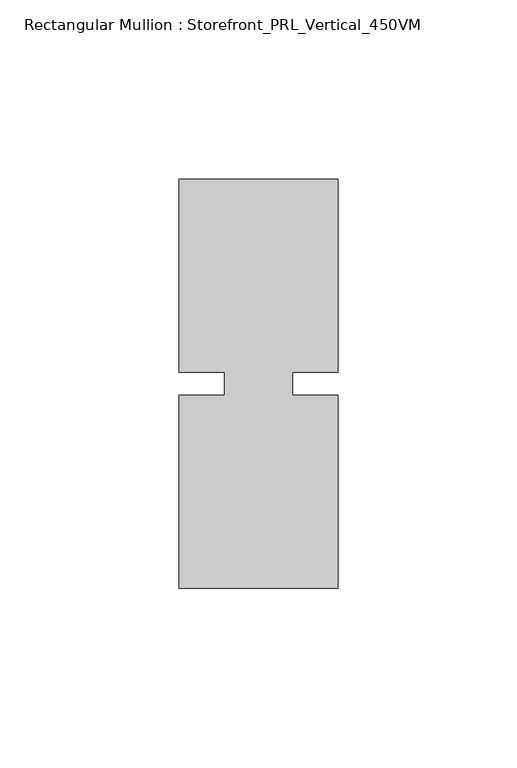
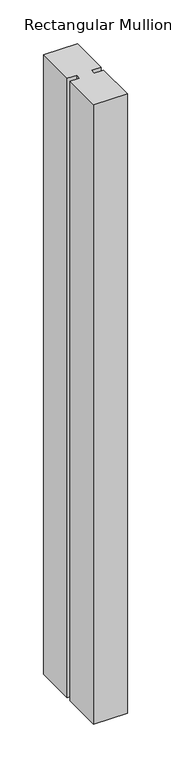
"""IFC4 building model written with IfcOpenShell, lengths in millimetres: member geometry, Rectangular Mullion : Storefront_PRL_Vertical_450VM."""

from ifc_helpers import new_model, si_unit, frame, origin, place, context, project, spatial, polyline, outline, extrude, source, transform, mapped, element, save


def rectangular_mullion_storefront_prl_vertical_450vm_78f8cdb1(model_context):
    return source(origin(), model_context, "Body", "SweptSolid", [
        extrude(outline(polyline([(-9.525, -3.175), (-9.525, 3.175), (-22.225, 3.175), (-22.225, 57.15), (22.225, 57.15), (22.225, 3.175), (9.525, 3.175), (9.525, -3.175), (22.225, -3.175), (22.225, -57.15), (-22.225, -57.15), (-22.225, -3.175), (-9.525, -3.175)])), frame((0.0, 0.0, -863.6), z_axis=(0.0, 0.0, 1.0), x_axis=(1.0, 0.0, 0.0)), (0.0, 0.0, 1.0), 863.6),
    ])


if __name__ == "__main__":
    model = new_model("IFC4")
    model_context = context("Model", 3, world=origin())
    ifc_project = project(units=[si_unit("LENGTHUNIT", "METRE", prefix="MILLI")], contexts=[model_context])
    site = spatial("IfcSite", under=ifc_project)
    building = spatial("IfcBuilding", under=site)
    placement = place(None, origin())
    rectangular_mullion_storefront_prl_vertical_450vm_shape = rectangular_mullion_storefront_prl_vertical_450vm_78f8cdb1(model_context)
    element("IfcMember", 1, ObjectType="Rectangular Mullion : Storefront_PRL_Vertical_450VM", at=placement, inside=building, context=model_context, shape_type="MappedRepresentation", body=[
        mapped(rectangular_mullion_storefront_prl_vertical_450vm_shape, transform((0.0, 0.0, 0.0), x_axis=(1.0, 0.0, 0.0), y_axis=(0.0, 1.0, 0.0), z_axis=(0.0, 0.0, 1.0))),
    ])
    save(model, "model.ifc")
